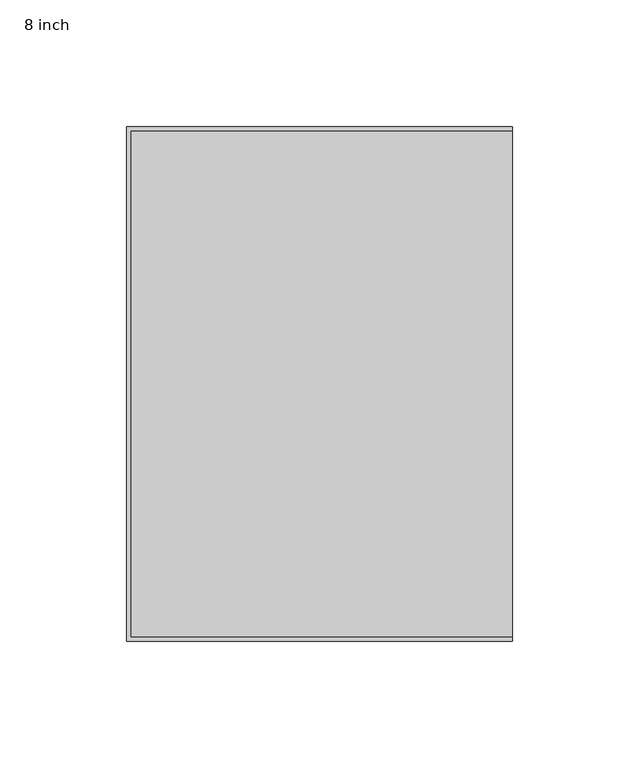
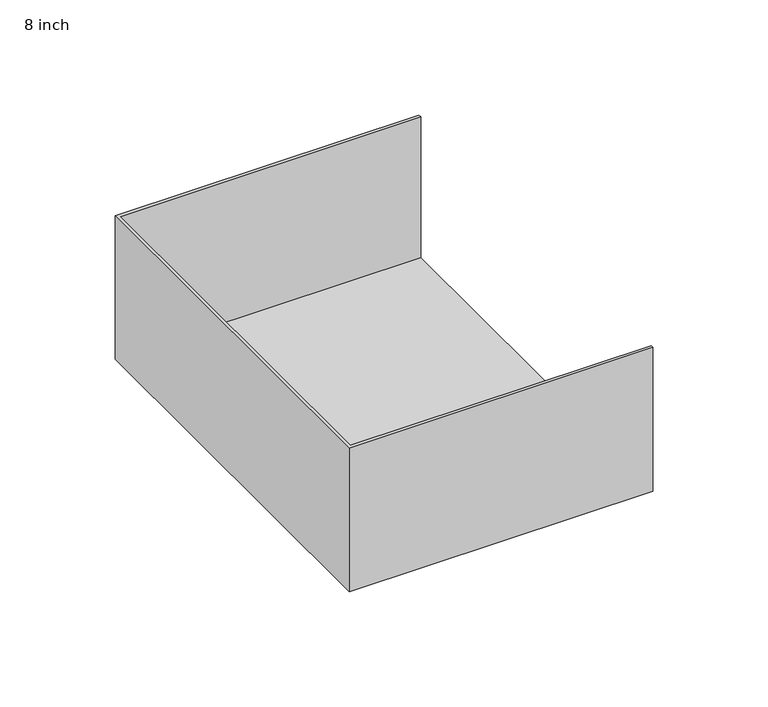
"""IFC4 building model written with IfcOpenShell, lengths in millimetres: proxy geometry, 8 inch."""

from ifc_helpers import new_model, si_unit, origin, place, context, project, spatial, faceted_brep, source, transform, mapped, element, save


def proxy_8_inch_8a77af40(model_context):
    return source(origin(), model_context, "Body", "Brep", [
        faceted_brep([(152.4, 1.5875, 1.5875), (152.4, 201.6125, 1.5875), (1.5875, 201.6125, 1.5875), (1.5875, 1.5875, 1.5875), (152.4, 203.2, 0.0), (152.4, 0.0, 0.0), (0.0, 0.0, 0.0), (0.0, 203.2, 0.0), (0.0, 203.2, 76.2), (152.4, 203.2, 76.2), (0.0, 0.0, 76.2), (152.4, 0.0, 76.2), (152.4, 201.6125, 76.2), (152.4, 1.5875, 76.2), (1.5875, 1.5875, 76.2), (1.5875, 201.6125, 76.2)], [[[0, 1, 2, 3]], [[4, 5, 6, 7]], [[4, 7, 8, 9]], [[8, 7, 6, 10]], [[10, 6, 5, 11]], [[4, 9, 12, 1, 0, 13, 11, 5]], [[10, 11, 13, 14, 15, 12, 9, 8]], [[14, 13, 0, 3]], [[15, 14, 3, 2]], [[12, 15, 2, 1]]]),
    ])


if __name__ == "__main__":
    model = new_model("IFC4")
    model_context = context("Model", 3, world=origin())
    ifc_project = project(units=[si_unit("LENGTHUNIT", "METRE", prefix="MILLI")], contexts=[model_context])
    site = spatial("IfcSite", under=ifc_project)
    building = spatial("IfcBuilding", under=site)
    placement = place(None, origin())
    proxy_8_inch_shape = proxy_8_inch_8a77af40(model_context)
    element("IfcBuildingElementProxy", 1, Name="8 inch", ObjectType="8 inch", at=placement, inside=building, context=model_context, shape_type="MappedRepresentation", body=[
        mapped(proxy_8_inch_shape, transform((0.0, 0.0, 0.0), x_axis=(1.0, 0.0, 0.0), y_axis=(0.0, 1.0, 0.0), z_axis=(0.0, 0.0, 1.0))),
    ])
    save(model, "model.ifc")
